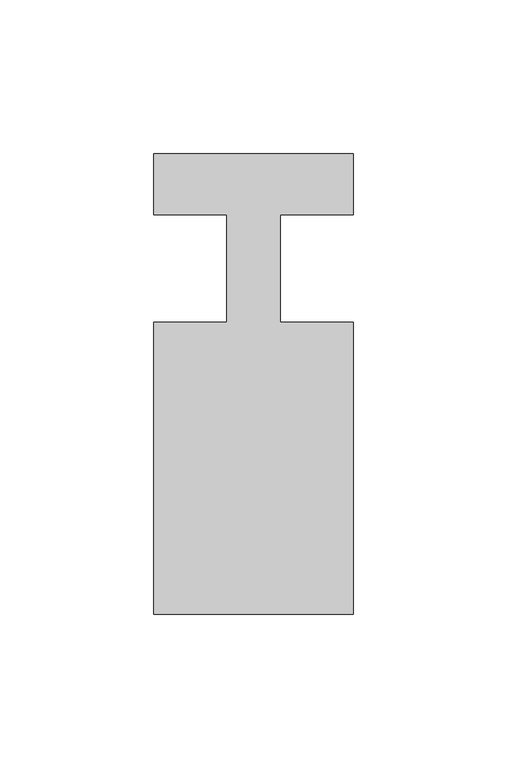
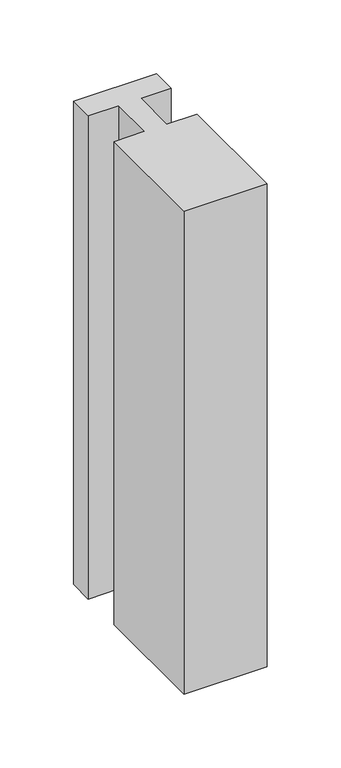
"""IFC4 building model written with IfcOpenShell, lengths in millimetres: member geometry."""

import ifcopenshell
import ifcopenshell.guid

model = None  # the IFC model being written
_history = None  # IfcOwnerHistory: only IFC2X3 demands one
_inside = {}  # id of a spatial element -> (the spatial element, [elements in it])
_under = {}  # id of a project, library or spatial element -> (it, [spatial elements below it])
_declared = {}  # id of a project -> (the project, [libraries it declares])
_typed = {}  # id of a type object -> (the type object, [elements of that type])
_made_of = {}  # id of a material, layer set ... -> (it, [elements and type objects made of it])


def new_model(schema):
    """Start an empty IFC model of exactly this schema.

    Asked for "IFC4X3", IfcOpenShell would pick the latest addendum, in which some entities
    have other attributes; the version numbers below select the first issue.
    IFC2X3 requires an IfcOwnerHistory on every rooted entity: one is made here for all.
    """
    global model, _history
    if schema == "IFC4X3":
        model = ifcopenshell.file(schema_version=(4, 3, 0, 0))
    else:
        model = ifcopenshell.file(schema=schema)
    _inside.clear()
    _under.clear()
    _declared.clear()
    _typed.clear()
    _made_of.clear()
    _history = None
    if model.schema == "IFC2X3":
        org = make("IfcOrganization", Name="unknown")
        user = make(
            "IfcPersonAndOrganization",
            ThePerson=make("IfcPerson", FamilyName="unknown"),
            TheOrganization=org,
        )
        app = make(
            "IfcApplication",
            ApplicationDeveloper=org,
            Version="unknown",
            ApplicationFullName="unknown",
            ApplicationIdentifier="unknown",
        )
        _history = make(
            "IfcOwnerHistory",
            OwningUser=user,
            OwningApplication=app,
            ChangeAction="ADDED",
            CreationDate=0,
        )
    return model


def make(cls, **values):
    """One entity of the class cls with the attributes given. An attribute that is None is left unset."""
    return model.create_entity(
        cls, **{name: value for name, value in values.items() if value is not None}
    )


def rooted(cls, **values):
    """An entity with a GlobalId (a new one), such as an element, a storey or a relation."""
    return make(cls, GlobalId=ifcopenshell.guid.new(), OwnerHistory=_history, **values)


def si_unit(unit_type, name, prefix=None):
    """IfcSIUnit, for example si_unit("LENGTHUNIT", "METRE", prefix="MILLI")."""
    return make("IfcSIUnit", UnitType=unit_type, Prefix=prefix, Name=name)


def assignment(units):
    """IfcUnitAssignment: the units of a project."""
    return None if units is None else make("IfcUnitAssignment", Units=units)


def point(xyz):
    """IfcCartesianPoint."""
    return None if xyz is None else make("IfcCartesianPoint", Coordinates=xyz)


def direction(xyz):
    """IfcDirection."""
    return None if xyz is None else make("IfcDirection", DirectionRatios=xyz)


def frame(location, z_axis=None, x_axis=None):
    """IfcAxis2Placement3D, a coordinate frame: its origin and axes. An axis left out is left unset."""
    return make(
        "IfcAxis2Placement3D",
        Location=point(location),
        Axis=direction(z_axis),
        RefDirection=direction(x_axis),
    )


def origin():
    """The frame at (0, 0, 0) with its axes left unset."""
    return frame((0.0, 0.0, 0.0))


def place(relative_to, where):
    """IfcLocalPlacement: puts the frame where relative to a parent placement (None: the world)."""
    return make(
        "IfcLocalPlacement", PlacementRelTo=relative_to, RelativePlacement=where
    )


def context(
    kind, dimensions, precision=None, world=None, true_north=None, identifier=None
):
    """IfcGeometricRepresentationContext, for example the 3D "Model" context."""
    return make(
        "IfcGeometricRepresentationContext",
        ContextIdentifier=identifier,
        ContextType=kind,
        CoordinateSpaceDimension=dimensions,
        Precision=precision,
        WorldCoordinateSystem=world,
        TrueNorth=true_north,
    )


def project(units=None, contexts=None):
    """IfcProject with its units and contexts."""
    return rooted(
        "IfcProject",
        Name="project",
        RepresentationContexts=contexts,
        UnitsInContext=assignment(units),
    )


def spatial(cls, under=None, at=None, **own):
    """A site, building, storey or space (cls), placed at a placement, below another one or the project."""
    s = rooted(cls, ObjectPlacement=at, **own)
    if under is not None:
        _under.setdefault(under.id(), (under, []))[1].append(s)
    return s


def polyline(points):
    """IfcPolyline through the points."""
    return make("IfcPolyline", Points=[point(p) for p in points])


def outline(outer, holes=None, kind="AREA"):
    """IfcArbitraryClosedProfileDef: a profile drawn as a closed curve; with holes, ...WithVoids."""
    if holes is None:
        return make("IfcArbitraryClosedProfileDef", ProfileType=kind, OuterCurve=outer)
    return make(
        "IfcArbitraryProfileDefWithVoids",
        ProfileType=kind,
        OuterCurve=outer,
        InnerCurves=holes,
    )


def extrude(swept, where, along, depth):
    """IfcExtrudedAreaSolid: the profile swept, set in the frame where, extruded along a direction by depth."""
    return make(
        "IfcExtrudedAreaSolid",
        SweptArea=swept,
        Position=where,
        ExtrudedDirection=direction(along),
        Depth=depth,
    )


def shape(context_of_items, identifier, shape_type, items):
    """IfcShapeRepresentation: the items that make up one representation, for example the "Body"."""
    return make(
        "IfcShapeRepresentation",
        ContextOfItems=context_of_items,
        RepresentationIdentifier=identifier,
        RepresentationType=shape_type,
        Items=items,
    )


def source(mapping_origin, context_of_items, identifier, shape_type, items):
    """IfcRepresentationMap: a shape defined once, which mapped items show again and again."""
    return make(
        "IfcRepresentationMap",
        MappingOrigin=mapping_origin,
        MappedRepresentation=shape(context_of_items, identifier, shape_type, items),
    )


def transform(
    local_origin,
    x_axis=None,
    y_axis=None,
    z_axis=None,
    scale=None,
    scale2=None,
    scale3=None,
    uniform=True,
):
    """IfcCartesianTransformationOperator3D, or its non-uniform kind. x_axis, y_axis, z_axis: its Axis1, 2, 3."""
    if uniform:
        return make(
            "IfcCartesianTransformationOperator3D",
            Axis1=direction(x_axis),
            Axis2=direction(y_axis),
            LocalOrigin=point(local_origin),
            Scale=scale,
            Axis3=direction(z_axis),
        )
    return make(
        "IfcCartesianTransformationOperator3DnonUniform",
        Axis1=direction(x_axis),
        Axis2=direction(y_axis),
        LocalOrigin=point(local_origin),
        Scale=scale,
        Axis3=direction(z_axis),
        Scale2=scale2,
        Scale3=scale3,
    )


def mapped(mapping_source, mapping_target):
    """IfcMappedItem: shows the shape of a source again, moved by a transform."""
    return make(
        "IfcMappedItem", MappingSource=mapping_source, MappingTarget=mapping_target
    )


def made_of(thing, what):
    """Note that an element or type object is made of a material, layer set ...; save() writes the relation."""
    if what is not None:
        _made_of.setdefault(what.id(), (what, []))[1].append(thing)
    return thing


def element(
    cls,
    number,
    at=None,
    inside=None,
    cuts=None,
    type_object=None,
    material=None,
    context=None,
    identifier="Body",
    shape_type=None,
    held_by="IfcProductDefinitionShape",
    body=None,
    shapes=None,
    **own,
):
    """One element of the class cls, such as IfcWall. Its Tag is "e" and its number.

    at: its placement. inside: the storey or other place that contains it. cuts: it is an
    opening in that element (IfcRelVoidsElement). A single representation is given by context,
    identifier, shape_type and body (its items); several are given by shapes. held_by: the class
    of the entity that holds the representations. save() writes the other relations.
    """
    e = rooted(cls, Tag="e%d" % number, ObjectPlacement=at, **own)
    if body is not None:
        shapes = [shape(context, identifier, shape_type, body)]
    if shapes is not None:
        e.Representation = make(held_by, Representations=shapes)
    if inside is not None:
        _inside.setdefault(inside.id(), (inside, []))[1].append(e)
    if cuts is not None:
        rooted(
            "IfcRelVoidsElement", RelatingBuildingElement=cuts, RelatedOpeningElement=e
        )
    if type_object is not None:
        _typed.setdefault(type_object.id(), (type_object, []))[1].append(e)
    return made_of(e, material)


def aggregate(whole, parts):
    """IfcRelAggregates: a whole, such as a stair, and the parts it consists of."""
    return rooted("IfcRelAggregates", RelatingObject=whole, RelatedObjects=parts)


def save(model, path):
    """Write the relations noted so far, then the file.

    IfcRelAggregates (storeys below a building ...), IfcRelContainedInSpatialStructure (elements
    in a storey), IfcRelDefinesByType, IfcRelAssociatesMaterial and IfcRelDeclares: one each for
    every whole, place, type object, material and project.
    """
    for whole, parts in _under.values():
        aggregate(whole, parts)
    for where, things in _inside.values():
        rooted(
            "IfcRelContainedInSpatialStructure",
            RelatedElements=things,
            RelatingStructure=where,
        )
    for kind, things in _typed.values():
        rooted("IfcRelDefinesByType", RelatedObjects=things, RelatingType=kind)
    for what, things in _made_of.values():
        rooted("IfcRelAssociatesMaterial", RelatedObjects=things, RelatingMaterial=what)
    for by, libraries in _declared.values():
        rooted("IfcRelDeclares", RelatingContext=by, RelatedDefinitions=libraries)
    model.write(path)


def member_4be6dcc8(model_context):
    return source(origin(), model_context, "Body", "SweptSolid", [
        extrude(outline(polyline([(0.0, 37.0), (0.0, 17.0), (-23.8125, 17.0), (-23.8125, -18.0), (0.0, -18.0), (0.0, -113.0), (-65.0, -113.0), (-65.0, -18.0), (-41.1875, -18.0), (-41.1875, 17.0), (-65.0, 17.0), (-65.0, 37.0), (0.0, 37.0)])), frame((0.0, 0.0, -400.0), z_axis=(0.0, 0.0, 1.0), x_axis=(1.0, 0.0, 0.0)), (0.0, 0.0, 1.0), 400.0),
    ])


if __name__ == "__main__":
    model = new_model("IFC4")
    model_context = context("Model", 3, world=origin())
    ifc_project = project(units=[si_unit("LENGTHUNIT", "METRE", prefix="MILLI")], contexts=[model_context])
    site = spatial("IfcSite", under=ifc_project)
    building = spatial("IfcBuilding", under=site)
    placement = place(None, origin())
    member_shape = member_4be6dcc8(model_context)
    element("IfcMember", 1, at=placement, inside=building, context=model_context, shape_type="MappedRepresentation", body=[
        mapped(member_shape, transform((0.0, 0.0, 0.0), x_axis=(1.0, 0.0, 0.0), y_axis=(0.0, 1.0, 0.0), z_axis=(0.0, 0.0, 1.0))),
    ])
    save(model, "model.ifc")
